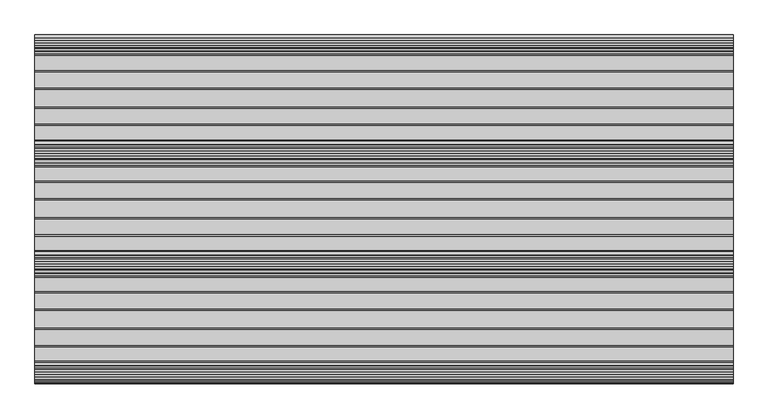
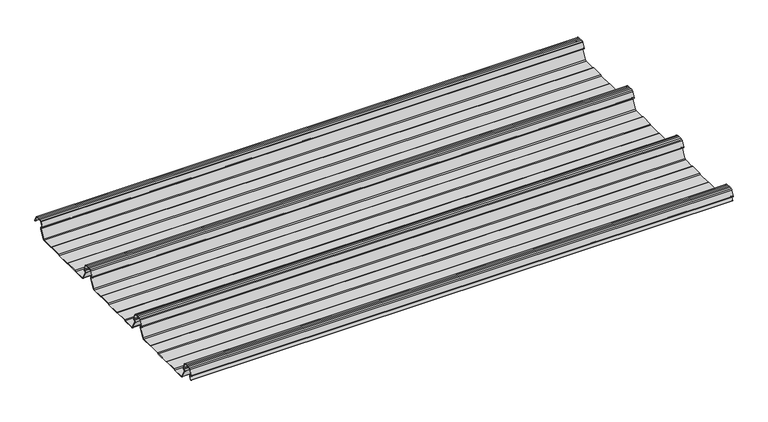
"""IFC4 building model written with IfcOpenShell, lengths in millimetres: beam geometry."""

from ifc_helpers import new_model, si_unit, point, frame, frame_2d, origin, place, context, project, spatial, polyline, circle_curve, trimmed, segment, composite_curve, outline, extrude, source, transform, mapped, element, save


def beam_d4169964(model_context):
    return source(origin(), model_context, "Body", "SweptSolid", [
        extrude(outline(composite_curve([segment(polyline([(-71.5845817, -25.7896475), (-75.5750955, -23.7896475), (-115.9365369, -23.7896475), (-119.9270507, -25.7896475), (-165.064386, -25.7896475), (-169.0634631, -23.7896475), (-209.4249045, -23.7896475), (-213.4154183, -25.7896475), (-249.9368159, -25.7896475)]), True, "CONTINUOUS"), segment(trimmed(circle_curve(frame_2d((-249.1430949, -19.5172622)), 6.3224054), [point((-249.9368159, -25.7896475))], [point((-254.3909001, -23.043358))], False, "CARTESIAN"), True, "CONTINUOUS"), segment(polyline([(-254.3909001, -23.043358), (-270.0325911, 4.8351473)]), True, "CONTINUOUS"), segment(trimmed(circle_curve(frame_2d((-266.6708677, 6.5571131)), 3.7770822), [point((-270.0325911, 4.8351473))], [point((-266.7207168, 10.3338663))], False, "CARTESIAN"), True, "CONTINUOUS"), segment(polyline([(-266.7207168, 10.3338663), (-264.4732847, 10.3338663)]), True, "CONTINUOUS"), segment(trimmed(circle_curve(frame_2d((-264.3745993, 12.1960166)), 1.8647634), [point((-264.4732847, 10.3338663))], [point((-262.5802624, 12.703656))], True, "CARTESIAN"), True, "CONTINUOUS"), segment(polyline([(-262.5802624, 12.703656), (-269.7213818, 29.8243131)]), True, "CONTINUOUS"), segment(trimmed(circle_curve(frame_2d((-273.2989922, 28.107161)), 3.9683633), [point((-269.7213818, 29.8243131))], [point((-272.2707693, 31.9400014))], True, "CARTESIAN"), True, "CONTINUOUS"), segment(polyline([(-272.2707693, 31.9400014), (-278.5961509, 32.8910961), (-285.0, 33.2091202), (-291.4038491, 32.8910961), (-297.7292307, 31.9400014)]), True, "CONTINUOUS"), segment(trimmed(circle_curve(frame_2d((-296.7010078, 28.107161)), 3.9683633), [point((-297.7292307, 31.9400014))], [point((-300.2786182, 29.8243131))], True, "CARTESIAN"), True, "CONTINUOUS"), segment(polyline([(-300.2786182, 29.8243131), (-307.4197376, 12.703656)]), True, "CONTINUOUS"), segment(trimmed(circle_curve(frame_2d((-305.6254007, 12.1960166)), 1.8647634), [point((-307.4197376, 12.703656))], [point((-305.5267153, 10.3338663))], True, "CARTESIAN"), True, "CONTINUOUS"), segment(polyline([(-305.5267153, 10.3338663), (-303.2792832, 10.3338663)]), True, "CONTINUOUS"), segment(trimmed(circle_curve(frame_2d((-303.3291323, 6.5571131)), 3.7770822), [point((-303.2792832, 10.3338663))], [point((-299.9674089, 4.8351473))], False, "CARTESIAN"), True, "CONTINUOUS"), segment(polyline([(-299.9674089, 4.8351473), (-315.6090999, -23.043358)]), True, "CONTINUOUS"), segment(trimmed(circle_curve(frame_2d((-320.8569051, -19.5172622)), 6.3224054), [point((-315.6090999, -23.043358))], [point((-320.0631841, -25.7896475))], False, "CARTESIAN"), True, "CONTINUOUS"), segment(polyline([(-320.0631841, -25.7896475), (-356.5845817, -25.7896475), (-360.5750955, -23.7896475), (-400.9365369, -23.7896475), (-404.9270507, -25.7896475), (-450.064386, -25.7896475), (-454.0634631, -23.7896475), (-494.4249045, -23.7896475), (-498.4154183, -25.7896475), (-534.9368159, -25.7896475)]), True, "CONTINUOUS"), segment(trimmed(circle_curve(frame_2d((-534.1430949, -19.5172622)), 6.3224054), [point((-534.9368159, -25.7896475))], [point((-539.3909001, -23.043358))], False, "CARTESIAN"), True, "CONTINUOUS"), segment(polyline([(-539.3909001, -23.043358), (-555.0325911, 4.8351473)]), True, "CONTINUOUS"), segment(trimmed(circle_curve(frame_2d((-551.6708677, 6.5571131)), 3.7770822), [point((-555.0325911, 4.8351473))], [point((-551.7207168, 10.3338663))], False, "CARTESIAN"), True, "CONTINUOUS"), segment(polyline([(-551.7207168, 10.3338663), (-549.4732847, 10.3338663)]), True, "CONTINUOUS"), segment(trimmed(circle_curve(frame_2d((-549.3745993, 12.1960166)), 1.8647634), [point((-549.4732847, 10.3338663))], [point((-547.5802624, 12.703656))], True, "CARTESIAN"), True, "CONTINUOUS"), segment(polyline([(-547.5802624, 12.703656), (-554.7213818, 29.8243131)]), True, "CONTINUOUS"), segment(trimmed(circle_curve(frame_2d((-558.2989922, 28.107161)), 3.9683633), [point((-554.7213818, 29.8243131))], [point((-557.2707693, 31.9400014))], True, "CARTESIAN"), True, "CONTINUOUS"), segment(polyline([(-557.2707693, 31.9400014), (-563.5961509, 32.8910961), (-570.0, 33.2091202), (-576.4038491, 32.8910961), (-582.7292307, 31.9400014)]), True, "CONTINUOUS"), segment(trimmed(circle_curve(frame_2d((-581.7010078, 28.107161)), 3.9683633), [point((-582.7292307, 31.9400014))], [point((-585.2786182, 29.8243131))], True, "CARTESIAN"), True, "CONTINUOUS"), segment(polyline([(-585.2786182, 29.8243131), (-592.4197376, 12.703656)]), True, "CONTINUOUS"), segment(trimmed(circle_curve(frame_2d((-590.6254007, 12.1960166)), 1.8647634), [point((-592.4197376, 12.703656))], [point((-590.5267153, 10.3338663))], True, "CARTESIAN"), True, "CONTINUOUS"), segment(polyline([(-590.5267153, 10.3338663), (-588.2792832, 10.3338663)]), True, "CONTINUOUS"), segment(trimmed(circle_curve(frame_2d((-588.3291323, 6.5571131)), 3.7770822), [point((-588.2792832, 10.3338663))], [point((-584.9674089, 4.8351473))], False, "CARTESIAN"), True, "CONTINUOUS"), segment(polyline([(-584.9674089, 4.8351473), (-600.6090999, -23.043358)]), True, "CONTINUOUS"), segment(trimmed(circle_curve(frame_2d((-605.8569051, -19.5172622)), 6.3224054), [point((-600.6090999, -23.043358))], [point((-605.0631841, -25.7896475))], False, "CARTESIAN"), True, "CONTINUOUS"), segment(polyline([(-605.0631841, -25.7896475), (-641.5845817, -25.7896475), (-645.5750955, -23.7896475), (-685.9365369, -23.7896475), (-689.9270507, -25.7896475), (-735.064386, -25.7896475), (-739.0634631, -23.7896475), (-779.4249045, -23.7896475), (-783.4154183, -25.7896475), (-819.9368159, -25.7896475)]), True, "CONTINUOUS"), segment(trimmed(circle_curve(frame_2d((-819.1430949, -19.5172622)), 6.3224054), [point((-819.9368159, -25.7896475))], [point((-824.3909001, -23.043358))], False, "CARTESIAN"), True, "CONTINUOUS"), segment(polyline([(-824.3909001, -23.043358), (-840.0325911, 4.8351473)]), True, "CONTINUOUS"), segment(trimmed(circle_curve(frame_2d((-836.6708677, 6.5571131)), 3.7770822), [point((-840.0325911, 4.8351473))], [point((-836.7207168, 10.3338663))], False, "CARTESIAN"), True, "CONTINUOUS"), segment(polyline([(-836.7207168, 10.3338663), (-834.4732847, 10.3338663)]), True, "CONTINUOUS"), segment(trimmed(circle_curve(frame_2d((-834.3745993, 12.1960166)), 1.8647634), [point((-834.4732847, 10.3338663))], [point((-832.5802624, 12.703656))], True, "CARTESIAN"), True, "CONTINUOUS"), segment(polyline([(-832.5802624, 12.703656), (-839.7213818, 29.8243131)]), True, "CONTINUOUS"), segment(trimmed(circle_curve(frame_2d((-843.2989922, 28.107161)), 3.9683633), [point((-839.7213818, 29.8243131))], [point((-842.2707693, 31.9400014))], True, "CARTESIAN"), True, "CONTINUOUS"), segment(polyline([(-842.2707693, 31.9400014), (-848.5961509, 32.8910961), (-855.0, 33.2091202), (-861.4038491, 32.8910961), (-867.7292307, 31.9400014)]), True, "CONTINUOUS"), segment(trimmed(circle_curve(frame_2d((-866.7010078, 28.107161)), 3.9683633), [point((-867.7292307, 31.9400014))], [point((-870.2786182, 29.8243131))], True, "CARTESIAN"), True, "CONTINUOUS"), segment(polyline([(-870.2786182, 29.8243131), (-877.4197376, 12.703656)]), True, "CONTINUOUS"), segment(trimmed(circle_curve(frame_2d((-875.6254007, 12.1960166)), 1.8647634), [point((-877.4197376, 12.703656))], [point((-875.5267153, 10.3338663))], True, "CARTESIAN"), True, "CONTINUOUS"), segment(polyline([(-875.5267153, 10.3338663), (-873.2792832, 10.3338663)]), True, "CONTINUOUS"), segment(trimmed(circle_curve(frame_2d((-873.3291323, 6.5571131)), 3.7770822), [point((-873.2792832, 10.3338663))], [point((-869.9674089, 4.8351473))], False, "CARTESIAN"), True, "CONTINUOUS"), segment(polyline([(-869.9674089, 4.8351473), (-875.3151817, -4.6962972)]), True, "CONTINUOUS"), segment(trimmed(circle_curve(frame_2d((-875.7512363, -4.4516417)), 0.5), [point((-875.3151817, -4.6962972))], [point((-876.1872909, -4.2069861))], False, "CARTESIAN"), True, "CONTINUOUS"), segment(polyline([(-876.1872909, -4.2069861), (-870.8495085, 5.3066525)]), True, "CONTINUOUS"), segment(trimmed(circle_curve(frame_2d((-873.3291323, 6.5571131)), 2.7770822), [point((-870.8495085, 5.3066525))], [point((-873.2863888, 9.3338663))], True, "CARTESIAN"), True, "CONTINUOUS"), segment(polyline([(-873.2863888, 9.3338663), (-875.5030691, 9.3338663)]), True, "CONTINUOUS"), segment(trimmed(circle_curve(frame_2d((-875.6254007, 12.1960166)), 2.8647634), [point((-875.5030691, 9.3338663))], [point((-878.3632227, 13.0393434))], False, "CARTESIAN"), True, "CONTINUOUS"), segment(polyline([(-878.3632227, 13.0393434), (-871.1920419, 30.2320721)]), True, "CONTINUOUS"), segment(trimmed(circle_curve(frame_2d((-866.7010078, 28.107161)), 4.9683633), [point((-871.1920419, 30.2320721))], [point((-867.9306348, 32.920959))], False, "CARTESIAN"), True, "CONTINUOUS"), segment(polyline([(-867.9306348, 32.920959), (-861.5032408, 33.8873925), (-855.0, 34.2103525), (-848.4967592, 33.8873925), (-842.0693652, 32.920959)]), True, "CONTINUOUS"), segment(trimmed(circle_curve(frame_2d((-843.2989922, 28.107161)), 4.9683633), [point((-842.0693652, 32.920959))], [point((-838.8079581, 30.2320721))], False, "CARTESIAN"), True, "CONTINUOUS"), segment(polyline([(-838.8079581, 30.2320721), (-831.6367773, 13.0393434)]), True, "CONTINUOUS"), segment(trimmed(circle_curve(frame_2d((-834.3745993, 12.1960166)), 2.8647634), [point((-831.6367773, 13.0393434))], [point((-834.4969309, 9.3338663))], False, "CARTESIAN"), True, "CONTINUOUS"), segment(polyline([(-834.4969309, 9.3338663), (-836.7136112, 9.3338663)]), True, "CONTINUOUS"), segment(trimmed(circle_curve(frame_2d((-836.6708677, 6.5571131)), 2.7770822), [point((-836.7136112, 9.3338663))], [point((-839.1504915, 5.3066525))], True, "CARTESIAN"), True, "CONTINUOUS"), segment(polyline([(-839.1504915, 5.3066525), (-823.5393019, -22.5174895)]), True, "CONTINUOUS"), segment(trimmed(circle_curve(frame_2d((-819.1430949, -19.5172622)), 5.3224054), [point((-823.5393019, -22.5174895))], [point((-819.8710735, -24.7896475))], True, "CARTESIAN"), True, "CONTINUOUS"), segment(polyline([(-819.8710735, -24.7896475), (-783.651988, -24.7896475), (-779.6614742, -22.7896475), (-738.8268934, -22.7896475), (-734.8363796, -24.7896475), (-690.1636204, -24.7896475), (-686.1731066, -22.7896475), (-645.3385258, -22.7896475), (-641.348012, -24.7896475), (-605.1289265, -24.7896475)]), True, "CONTINUOUS"), segment(trimmed(circle_curve(frame_2d((-605.8569051, -19.5172622)), 5.3224054), [point((-605.1289265, -24.7896475))], [point((-601.4606981, -22.5174895))], True, "CARTESIAN"), True, "CONTINUOUS"), segment(polyline([(-601.4606981, -22.5174895), (-585.8495085, 5.3066525)]), True, "CONTINUOUS"), segment(trimmed(circle_curve(frame_2d((-588.3291323, 6.5571131)), 2.7770822), [point((-585.8495085, 5.3066525))], [point((-588.2863888, 9.3338663))], True, "CARTESIAN"), True, "CONTINUOUS"), segment(polyline([(-588.2863888, 9.3338663), (-590.5030691, 9.3338663)]), True, "CONTINUOUS"), segment(trimmed(circle_curve(frame_2d((-590.6254007, 12.1960166)), 2.8647634), [point((-590.5030691, 9.3338663))], [point((-593.3632227, 13.0393434))], False, "CARTESIAN"), True, "CONTINUOUS"), segment(polyline([(-593.3632227, 13.0393434), (-586.1920419, 30.2320721)]), True, "CONTINUOUS"), segment(trimmed(circle_curve(frame_2d((-581.7010078, 28.107161)), 4.9683633), [point((-586.1920419, 30.2320721))], [point((-582.9306348, 32.920959))], False, "CARTESIAN"), True, "CONTINUOUS"), segment(polyline([(-582.9306348, 32.920959), (-576.5032408, 33.8873925), (-570.0, 34.2103525), (-563.4967592, 33.8873925), (-557.0693652, 32.920959)]), True, "CONTINUOUS"), segment(trimmed(circle_curve(frame_2d((-558.2989922, 28.107161)), 4.9683633), [point((-557.0693652, 32.920959))], [point((-553.8079581, 30.2320721))], False, "CARTESIAN"), True, "CONTINUOUS"), segment(polyline([(-553.8079581, 30.2320721), (-546.6367773, 13.0393434)]), True, "CONTINUOUS"), segment(trimmed(circle_curve(frame_2d((-549.3745993, 12.1960166)), 2.8647634), [point((-546.6367773, 13.0393434))], [point((-549.4969309, 9.3338663))], False, "CARTESIAN"), True, "CONTINUOUS"), segment(polyline([(-549.4969309, 9.3338663), (-551.7136112, 9.3338663)]), True, "CONTINUOUS"), segment(trimmed(circle_curve(frame_2d((-551.6708677, 6.5571131)), 2.7770822), [point((-551.7136112, 9.3338663))], [point((-554.1504915, 5.3066525))], True, "CARTESIAN"), True, "CONTINUOUS"), segment(polyline([(-554.1504915, 5.3066525), (-538.5393019, -22.5174895)]), True, "CONTINUOUS"), segment(trimmed(circle_curve(frame_2d((-534.1430949, -19.5172622)), 5.3224054), [point((-538.5393019, -22.5174895))], [point((-534.8710735, -24.7896475))], True, "CARTESIAN"), True, "CONTINUOUS"), segment(polyline([(-534.8710735, -24.7896475), (-498.651988, -24.7896475), (-494.6614742, -22.7896475), (-453.8268934, -22.7896475), (-449.8363796, -24.7896475), (-405.1636204, -24.7896475), (-401.1731066, -22.7896475), (-360.3385258, -22.7896475), (-356.348012, -24.7896475), (-320.1289265, -24.7896475)]), True, "CONTINUOUS"), segment(trimmed(circle_curve(frame_2d((-320.8569051, -19.5172622)), 5.3224054), [point((-320.1289265, -24.7896475))], [point((-316.4606981, -22.5174895))], True, "CARTESIAN"), True, "CONTINUOUS"), segment(polyline([(-316.4606981, -22.5174895), (-300.8495085, 5.3066525)]), True, "CONTINUOUS"), segment(trimmed(circle_curve(frame_2d((-303.3291323, 6.5571131)), 2.7770822), [point((-300.8495085, 5.3066525))], [point((-303.2863888, 9.3338663))], True, "CARTESIAN"), True, "CONTINUOUS"), segment(polyline([(-303.2863888, 9.3338663), (-305.5030691, 9.3338663)]), True, "CONTINUOUS"), segment(trimmed(circle_curve(frame_2d((-305.6254007, 12.1960166)), 2.8647634), [point((-305.5030691, 9.3338663))], [point((-308.3632227, 13.0393434))], False, "CARTESIAN"), True, "CONTINUOUS"), segment(polyline([(-308.3632227, 13.0393434), (-301.1920419, 30.2320721)]), True, "CONTINUOUS"), segment(trimmed(circle_curve(frame_2d((-296.7010078, 28.107161)), 4.9683633), [point((-301.1920419, 30.2320721))], [point((-297.9306348, 32.920959))], False, "CARTESIAN"), True, "CONTINUOUS"), segment(polyline([(-297.9306348, 32.920959), (-291.5032408, 33.8873925), (-285.0, 34.2103525), (-278.4967592, 33.8873925), (-272.0693652, 32.920959)]), True, "CONTINUOUS"), segment(trimmed(circle_curve(frame_2d((-273.2989922, 28.107161)), 4.9683633), [point((-272.0693652, 32.920959))], [point((-268.8079581, 30.2320721))], False, "CARTESIAN"), True, "CONTINUOUS"), segment(polyline([(-268.8079581, 30.2320721), (-261.6367773, 13.0393434)]), True, "CONTINUOUS"), segment(trimmed(circle_curve(frame_2d((-264.3745993, 12.1960166)), 2.8647634), [point((-261.6367773, 13.0393434))], [point((-264.4969309, 9.3338663))], False, "CARTESIAN"), True, "CONTINUOUS"), segment(polyline([(-264.4969309, 9.3338663), (-266.7136112, 9.3338663)]), True, "CONTINUOUS"), segment(trimmed(circle_curve(frame_2d((-266.6708677, 6.5571131)), 2.7770822), [point((-266.7136112, 9.3338663))], [point((-269.1504915, 5.3066525))], True, "CARTESIAN"), True, "CONTINUOUS"), segment(polyline([(-269.1504915, 5.3066525), (-253.5393019, -22.5174895)]), True, "CONTINUOUS"), segment(trimmed(circle_curve(frame_2d((-249.1430949, -19.5172622)), 5.3224054), [point((-253.5393019, -22.5174895))], [point((-249.8710735, -24.7896475))], True, "CARTESIAN"), True, "CONTINUOUS"), segment(polyline([(-249.8710735, -24.7896475), (-213.651988, -24.7896475), (-209.6614742, -22.7896475), (-168.8268934, -22.7896475), (-164.8363796, -24.7896475), (-120.1636204, -24.7896475), (-116.1731066, -22.7896475), (-75.3385258, -22.7896475), (-71.348012, -24.7896475), (-32.8356359, -24.7896475)]), True, "CONTINUOUS"), segment(trimmed(circle_curve(frame_2d((-33.5636145, -19.5172622)), 5.3224054), [point((-32.8356359, -24.7896475))], [point((-29.1674075, -22.5174895))], True, "CARTESIAN"), True, "CONTINUOUS"), segment(polyline([(-29.1674075, -22.5174895), (-14.086566, 4.3614023)]), True, "CONTINUOUS"), segment(trimmed(circle_curve(frame_2d((-18.3291323, 6.5571131)), 4.7770822), [point((-14.086566, 4.3614023))], [point((-18.2730711, 11.3338663))], True, "CARTESIAN"), True, "CONTINUOUS"), segment(polyline([(-18.2730711, 11.3338663), (-19.7033043, 11.3338663)]), True, "CONTINUOUS"), segment(trimmed(circle_curve(frame_2d((-19.7033043, 12.8027898)), 1.4689236), [point((-19.7033043, 11.3338663))], [point((-21.0590224, 13.3682673))], False, "CARTESIAN"), True, "CONTINUOUS"), segment(polyline([(-21.0590224, 13.3682673), (-14.3664909, 29.4134461)]), True, "CONTINUOUS"), segment(trimmed(circle_curve(frame_2d((-11.7010078, 28.107161)), 2.9683633), [point((-14.3664909, 29.4134461))], [point((-12.5206202, 30.9601273))], False, "CARTESIAN"), True, "CONTINUOUS"), segment(polyline([(-12.5206202, 30.9601273), (-6.3044575, 31.8947996), (0.0, 32.2078878), (6.3044575, 31.8947996), (12.5206202, 30.9601273)]), True, "CONTINUOUS"), segment(trimmed(circle_curve(frame_2d((11.7010078, 28.107161)), 2.9683633), [point((12.5206202, 30.9601273))], [point((14.3664909, 29.4134461))], False, "CARTESIAN"), True, "CONTINUOUS"), segment(polyline([(14.3664909, 29.4134461), (21.0709178, 13.3397484)]), True, "CONTINUOUS"), segment(trimmed(circle_curve(frame_2d((20.6094513, 13.1472682)), 0.5), [point((21.0709178, 13.3397484))], [point((20.1479847, 12.954788))], False, "CARTESIAN"), True, "CONTINUOUS"), segment(polyline([(20.1479847, 12.954788), (13.4564022, 28.9976916)]), True, "CONTINUOUS"), segment(trimmed(circle_curve(frame_2d((11.7010078, 28.107161)), 1.9683633), [point((13.4564022, 28.9976916))], [point((12.300662, 29.9819594))], True, "CARTESIAN"), True, "CONTINUOUS"), segment(polyline([(12.300662, 29.9819594), (6.2050659, 30.8985032), (0.0, 31.2066554), (-6.2050659, 30.8985032), (-12.300662, 29.9819594)]), True, "CONTINUOUS"), segment(trimmed(circle_curve(frame_2d((-11.7010078, 28.107161)), 1.9683633), [point((-12.300662, 29.9819594))], [point((-13.4564022, 28.9976916))], True, "CARTESIAN"), True, "CONTINUOUS"), segment(polyline([(-13.4564022, 28.9976916), (-20.1360894, 12.9833069)]), True, "CONTINUOUS"), segment(trimmed(circle_curve(frame_2d((-19.7033043, 12.8027898)), 0.4689236), [point((-20.1360894, 12.9833069))], [point((-19.7033043, 12.3338663))], True, "CARTESIAN"), True, "CONTINUOUS"), segment(polyline([(-19.7033043, 12.3338663), (-18.2674818, 12.3338663)]), True, "CONTINUOUS"), segment(trimmed(circle_curve(frame_2d((-18.3291323, 6.5571131)), 5.7770822), [point((-18.2674818, 12.3338663))], [point((-13.2065988, 3.8860964))], False, "CARTESIAN"), True, "CONTINUOUS"), segment(polyline([(-13.2065988, 3.8860964), (-28.3158093, -23.043358)]), True, "CONTINUOUS"), segment(trimmed(circle_curve(frame_2d((-33.5636145, -19.5172622)), 6.3224054), [point((-28.3158093, -23.043358))], [point((-32.7698935, -25.7896475))], False, "CARTESIAN"), True, "CONTINUOUS"), segment(polyline([(-32.7698935, -25.7896475), (-71.5845817, -25.7896475)]), True, "CONTINUOUS")], self_intersect=False)), frame((-900.0, 0.0, 0.0), z_axis=(1.0, 0.0, 0.0), x_axis=(0.0, 1.0, 0.0)), (0.0, 0.0, 1.0), 1800.0),
    ])


if __name__ == "__main__":
    model = new_model("IFC4")
    model_context = context("Model", 3, world=origin())
    ifc_project = project(units=[si_unit("LENGTHUNIT", "METRE", prefix="MILLI")], contexts=[model_context])
    site = spatial("IfcSite", under=ifc_project)
    building = spatial("IfcBuilding", under=site)
    placement = place(None, origin())
    beam_shape = beam_d4169964(model_context)
    element("IfcBeam", 1, at=placement, inside=building, context=model_context, shape_type="MappedRepresentation", body=[
        mapped(beam_shape, transform((0.0, 0.0, 0.0), x_axis=(1.0, 0.0, 0.0), y_axis=(0.0, 1.0, 0.0), z_axis=(0.0, 0.0, 1.0))),
    ])
    save(model, "model.ifc")
